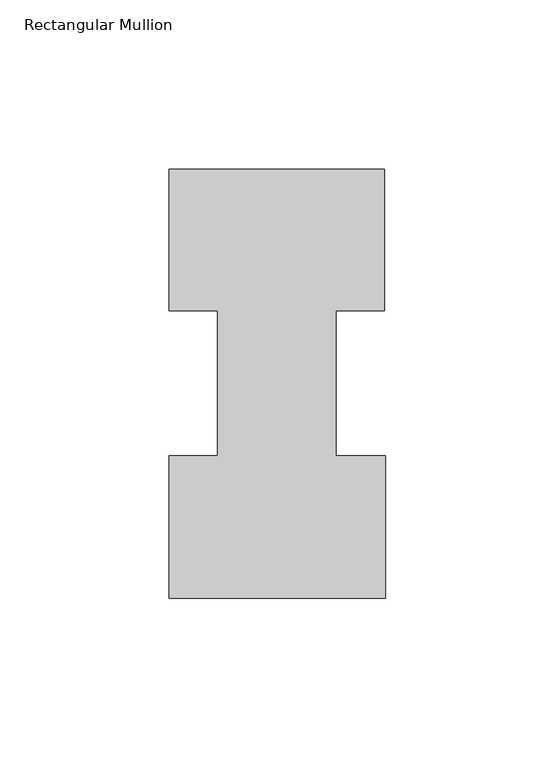
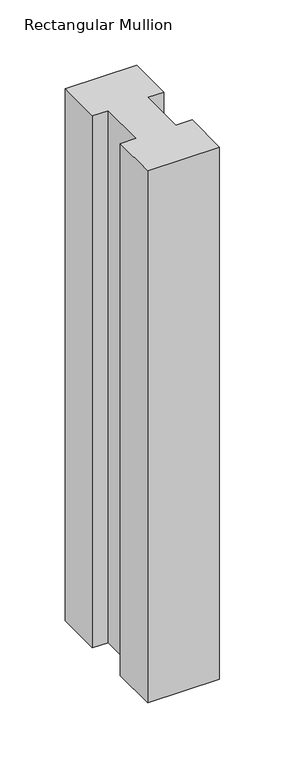
"""IFC4 building model written with IfcOpenShell, lengths in millimetres: member geometry, Rectangular Mullion."""

from ifc_helpers import new_model, si_unit, frame, origin, place, context, project, spatial, polyline, outline, extrude, source, transform, mapped, element, save


def rectangular_mullion_04bbf83e(model_context):
    return source(origin(), model_context, "Body", "SweptSolid", [
        extrude(outline(polyline([(-49.21504, 85.1296875), (-63.5, 85.1296875), (-63.5, 126.7349164), (0.0, 126.7349164), (0.0, 85.1296875), (-14.2748, 85.1296875), (-14.2748, 42.2799164), (0.2408142, 42.2799164), (0.2408142, 0.2429164), (-63.5, 0.2429164), (-63.5, 42.2799164), (-49.21504, 42.2799164), (-49.21504, 85.1296875)])), frame((0.0, 0.0, -498.4755426), z_axis=(0.0, 0.0, 1.0), x_axis=(1.0, 0.0, 0.0)), (0.0, 0.0, 1.0), 498.4755426),
    ])


if __name__ == "__main__":
    model = new_model("IFC4")
    model_context = context("Model", 3, world=origin())
    ifc_project = project(units=[si_unit("LENGTHUNIT", "METRE", prefix="MILLI")], contexts=[model_context])
    site = spatial("IfcSite", under=ifc_project)
    building = spatial("IfcBuilding", under=site)
    placement = place(None, origin())
    rectangular_mullion_shape = rectangular_mullion_04bbf83e(model_context)
    element("IfcMember", 1, ObjectType="Rectangular Mullion", at=placement, inside=building, context=model_context, shape_type="MappedRepresentation", body=[
        mapped(rectangular_mullion_shape, transform((0.0, 0.0, 0.0), x_axis=(1.0, 0.0, 0.0), y_axis=(0.0, 1.0, 0.0), z_axis=(0.0, 0.0, 1.0))),
    ])
    save(model, "model.ifc")
